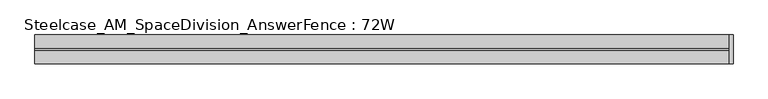
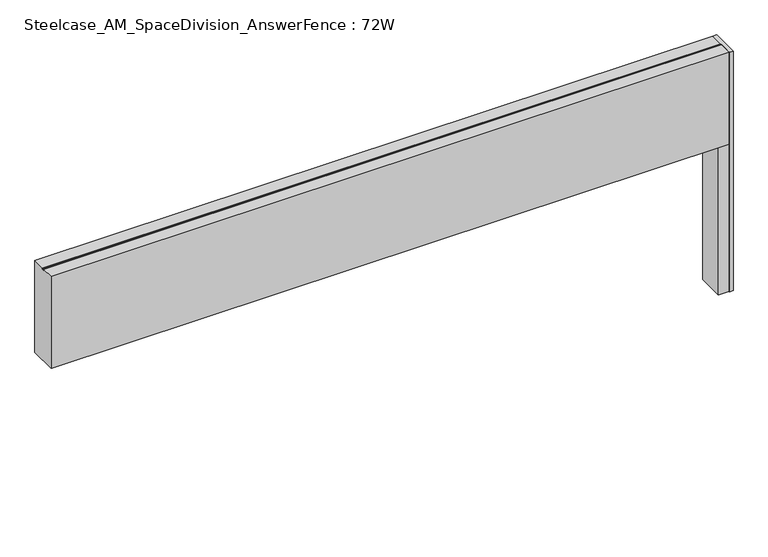
"""IFC4 building model written with IfcOpenShell, lengths in millimetres: furniture geometry, Steelcase_AM_SpaceDivision_AnswerFence : 72W."""

from ifc_helpers import new_model, si_unit, frame, origin, place, context, project, spatial, polyline, circle_curve, outline, extrude, source, transform, mapped, element, save
from ifc_brep_helpers import plane_surface, cylinder_surface, revolved_surface, advanced_brep


def steelcase_am_spacedivision_answerfence_72w_65c899a9(model_context):
    return source(origin(), model_context, "Body", "SolidModel", [
        advanced_brep(
        [(1798.0140299, -7.4168014, -3.29e-05), (1772.5630726, -7.4168014, -3.29e-05), (1785.2885512, -7.4168014, -3.29e-05), (1798.0140299, -7.4168014, 2.446593), (1772.5630726, -7.4168014, 2.446593), (1790.2434775, -7.4168014, 4.8561413), (1780.333625, -7.4168014, 4.8561413), (1789.1612872, -7.4168014, 4.8561413), (1781.4158153, -7.4168014, 4.8561413), (1789.1612872, -7.4168014, 15.4939671), (1781.4158153, -7.4168014, 15.4939671), (1785.2885512, -7.4168014, 15.4939671)],
        [
            (0, 1, circle_curve(frame((1785.2885512, -7.4168014, -3.29e-05), z_axis=(0.0, 0.0, -1.0), x_axis=(-1.0, 0.0, 0.0)), 12.7254787)),
            (1, 2),
            (2, 0),
            (1, 0, circle_curve(frame((1785.2885512, -7.4168014, -3.29e-05), z_axis=(0.0, 0.0, -1.0), x_axis=(-1.0, 0.0, 0.0)), 12.7254787)),
            (3, 4, circle_curve(frame((1785.2885512, -7.4168014, 2.446593), z_axis=(0.0, 0.0, -1.0), x_axis=(-1.0, 0.0, 0.0)), 12.7254787)),
            (4, 1),
            (0, 3),
            (4, 3, circle_curve(frame((1785.2885512, -7.4168014, 2.446593), z_axis=(0.0, 0.0, -1.0), x_axis=(-1.0, 0.0, 0.0)), 12.7254787)),
            (5, 6, circle_curve(frame((1785.2885512, -7.4168014, 4.8561413), z_axis=(0.0, 0.0, -1.0), x_axis=(-1.0, 0.0, 0.0)), 4.9549262)),
            (6, 4),
            (3, 5),
            (6, 5, circle_curve(frame((1785.2885512, -7.4168014, 4.8561413), z_axis=(0.0, 0.0, -1.0), x_axis=(-1.0, 0.0, 0.0)), 4.9549262)),
            (7, 8, circle_curve(frame((1785.2885512, -7.4168014, 4.8561413), z_axis=(0.0, 0.0, -1.0), x_axis=(-1.0, 0.0, 0.0)), 3.8727359)),
            (8, 6),
            (5, 7),
            (8, 7, circle_curve(frame((1785.2885512, -7.4168014, 4.8561413), z_axis=(0.0, 0.0, -1.0), x_axis=(-1.0, 0.0, 0.0)), 3.8727359)),
            (9, 10, circle_curve(frame((1785.2885512, -7.4168014, 15.4939671), z_axis=(0.0, 0.0, -1.0), x_axis=(-1.0, 0.0, 0.0)), 3.8727359)),
            (10, 8),
            (7, 9),
            (10, 9, circle_curve(frame((1785.2885512, -7.4168014, 15.4939671), z_axis=(0.0, 0.0, -1.0), x_axis=(-1.0, 0.0, 0.0)), 3.8727359)),
            (11, 10),
            (9, 11),
        ],
        [
            plane_surface(frame((1785.2885512, -7.4168014, -3.29e-05), z_axis=(0.0, 0.0, -1.0), x_axis=(-1.0, 0.0, 0.0))),
            cylinder_surface(frame((1785.2885512, -7.4168014, -1.135133), z_axis=(0.0, 0.0, 1.0), x_axis=(-1.0, 0.0, 0.0)), 12.7254787),
            revolved_surface(polyline([(1772.5630726, -7.4168014, 2.446593), (1780.333625, -7.4168014, 4.8561413)]), (1785.2885512, -7.4168014, -1.135133), (0.0, 0.0, 1.0)),
            plane_surface(frame((1785.2885512, -7.4168014, 4.8561413), z_axis=(0.0, 0.0, 1.0), x_axis=(-1.0, 0.0, 0.0))),
            cylinder_surface(frame((1785.2885512, -7.4168014, -1.135133), z_axis=(0.0, 0.0, 1.0), x_axis=(-1.0, 0.0, 0.0)), 3.8727359),
            plane_surface(frame((1785.2885512, -7.4168014, 15.4939671), z_axis=(0.0, 0.0, 1.0), x_axis=(-1.0, 0.0, 0.0))),
        ],
        [
            (0, [[1, 2, 3]]),
            (0, [[4, -3, -2]]),
            (1, [[5, 6, -1, 7]]),
            (1, [[8, -7, -4, -6]]),
            (2, [[9, 10, -5, 11]]),
            (2, [[12, -11, -8, -10]]),
            (3, [[13, 14, -9, 15]]),
            (3, [[16, -15, -12, -14]]),
            (4, [[17, 18, -13, 19]]),
            (4, [[20, -19, -16, -18]]),
            (5, [[21, -17, 22]]),
            (5, [[-22, -20, -21]]),
        ],
    ),
        extrude(outline(polyline([(1760.503178, 28.9756526), (1788.6512543, 28.9756526), (1788.6512543, 17.9388808), (1771.4288215, 17.9388808), (1771.4288215, -32.8611192), (1788.6381573, -32.8611192), (1788.6381573, -43.7191471), (1760.503178, -43.7191471), (1760.503178, 28.9756526)])), frame((0.0, 0.0, 15.4939671), z_axis=(0.0, 0.0, 1.0), x_axis=(1.0, 0.0, 0.0)), (0.0, 0.0, 1.0), 420.9763759),
        extrude(outline(polyline([(1798.8344464, 30.7299), (1798.8344464, -45.5635028), (1788.668, -45.5635028), (1788.668, 30.7299), (1798.8344464, 30.7299)])), frame((0.0, 0.0, 15.4939671), z_axis=(0.0, 0.0, 1.0), x_axis=(1.0, 0.0, 0.0)), (0.0, 0.0, 1.0), 683.006),
        extrude(outline(polyline([(30.6507456, 698.5), (30.6507456, 436.470343), (-45.5168014, 436.470343), (-45.5168014, 698.5), (-10.7419756, 698.5), (-10.7419756, 695.721875), (-4.4428302, 695.721875), (-4.4428302, 698.5), (30.6507456, 698.5)])), frame((-38.1, 0.0, 0.0), z_axis=(1.0, 0.0, 0.0), x_axis=(0.0, 1.0, 0.0)), (0.0, 0.0, 1.0), 1826.768),
    ])


if __name__ == "__main__":
    model = new_model("IFC4")
    model_context = context("Model", 3, world=origin())
    ifc_project = project(units=[si_unit("LENGTHUNIT", "METRE", prefix="MILLI")], contexts=[model_context])
    site = spatial("IfcSite", under=ifc_project)
    building = spatial("IfcBuilding", under=site)
    placement = place(None, origin())
    steelcase_am_spacedivision_answerfence_72w_shape = steelcase_am_spacedivision_answerfence_72w_65c899a9(model_context)
    element("IfcFurniture", 1, ObjectType="Steelcase_AM_SpaceDivision_AnswerFence : 72W", at=placement, inside=building, context=model_context, shape_type="MappedRepresentation", body=[
        mapped(steelcase_am_spacedivision_answerfence_72w_shape, transform((0.0, 0.0, 0.0), x_axis=(1.0, 0.0, 0.0), y_axis=(0.0, 1.0, 0.0), z_axis=(0.0, 0.0, 1.0))),
    ])
    save(model, "model.ifc")
